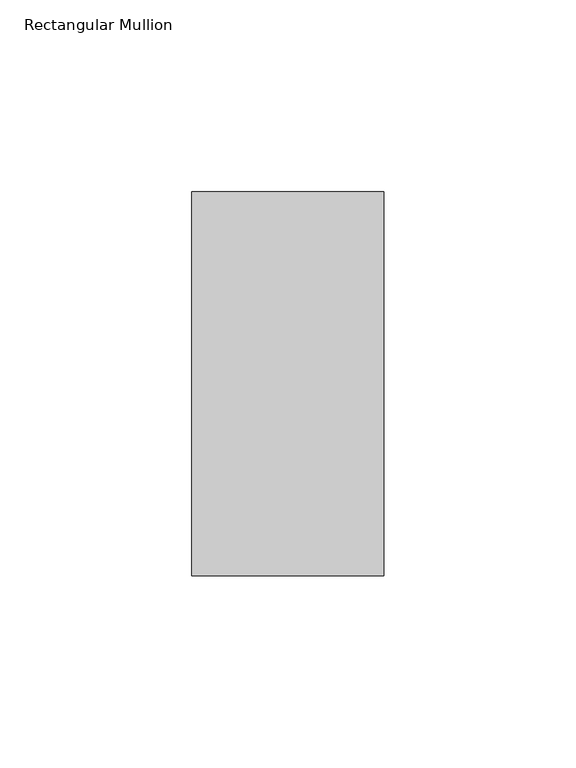
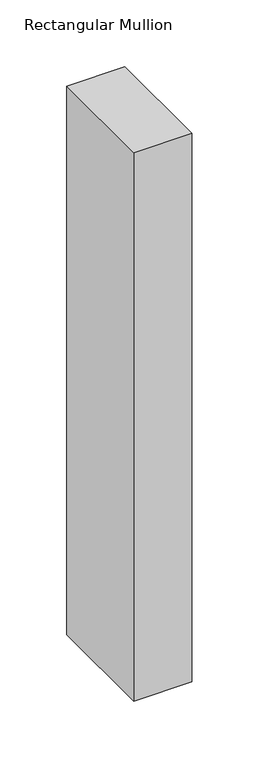
"""IFC4 building model written with IfcOpenShell, lengths in millimetres: member geometry, Rectangular Mullion."""

from ifc_helpers import new_model, si_unit, frame, origin, place, context, project, spatial, polyline, outline, extrude, source, transform, mapped, element, save


def rectangular_mullion_78055610(model_context):
    return source(origin(), model_context, "Body", "SweptSolid", [
        extrude(outline(polyline([(0.0, 69.0), (0.0, -31.0), (-50.0, -31.0), (-50.0, 69.0), (0.0, 69.0)])), frame((0.0, 0.0, -500.0), z_axis=(0.0, 0.0, 1.0), x_axis=(1.0, 0.0, 0.0)), (0.0, 0.0, 1.0), 500.0),
    ])


if __name__ == "__main__":
    model = new_model("IFC4")
    model_context = context("Model", 3, world=origin())
    ifc_project = project(units=[si_unit("LENGTHUNIT", "METRE", prefix="MILLI")], contexts=[model_context])
    site = spatial("IfcSite", under=ifc_project)
    building = spatial("IfcBuilding", under=site)
    placement = place(None, origin())
    rectangular_mullion_shape = rectangular_mullion_78055610(model_context)
    element("IfcMember", 1, ObjectType="Rectangular Mullion", at=placement, inside=building, context=model_context, shape_type="MappedRepresentation", body=[
        mapped(rectangular_mullion_shape, transform((0.0, 0.0, 0.0), x_axis=(1.0, 0.0, 0.0), y_axis=(0.0, 1.0, 0.0), z_axis=(0.0, 0.0, 1.0))),
    ])
    save(model, "model.ifc")
